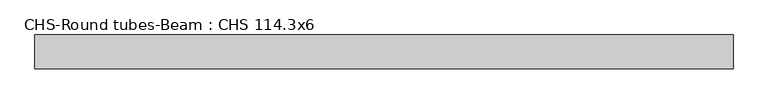
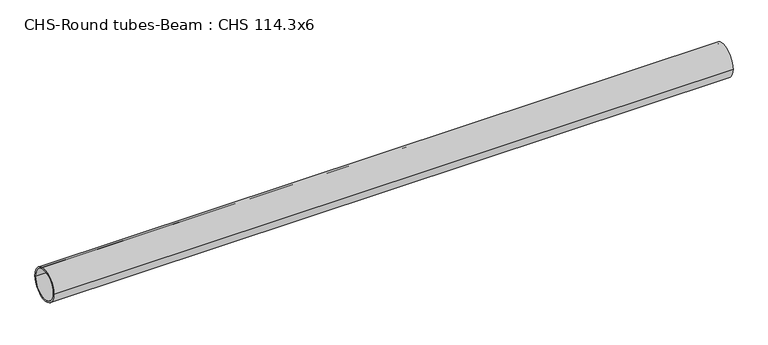
"""IFC4 building model written with IfcOpenShell, lengths in millimetres: beam geometry, CHS-Round tubes-Beam : CHS 114.3x6."""

from ifc_helpers import new_model, si_unit, point, frame, origin, origin_2d, place, context, project, spatial, circle_curve, trimmed, segment, composite_curve, outline, extrude, source, transform, mapped, element, save


def chs_round_tubes_beam_chs_114_3x6_32c616e8(model_context):
    return source(origin(), model_context, "Body", "SweptSolid", [
        extrude(outline(composite_curve([segment(trimmed(circle_curve(origin_2d(), 57.15), [point((57.15, 0.0))], [point((-57.15, 0.0))], False, "CARTESIAN"), True, "CONTINUOUS"), segment(trimmed(circle_curve(origin_2d(), 57.15), [point((-57.15, 0.0))], [point((57.15, 0.0))], False, "CARTESIAN"), True, "CONTINUOUS")], self_intersect=False), holes=[composite_curve([segment(trimmed(circle_curve(origin_2d(), 51.15), [point((51.15, 0.0))], [point((-51.15, 0.0))], True, "CARTESIAN"), True, "CONTINUOUS"), segment(trimmed(circle_curve(origin_2d(), 51.15), [point((-51.15, 0.0))], [point((51.15, 0.0))], True, "CARTESIAN"), True, "CONTINUOUS")], self_intersect=False)]), frame((-1121.692992, 0.0, 0.0), z_axis=(1.0, 0.0, 0.0), x_axis=(0.0, 1.0, 0.0)), (0.0, 0.0, 1.0), 2368.1351953),
    ])


if __name__ == "__main__":
    model = new_model("IFC4")
    model_context = context("Model", 3, world=origin())
    ifc_project = project(units=[si_unit("LENGTHUNIT", "METRE", prefix="MILLI")], contexts=[model_context])
    site = spatial("IfcSite", under=ifc_project)
    building = spatial("IfcBuilding", under=site)
    placement = place(None, origin())
    chs_round_tubes_beam_chs_114_3x6_shape = chs_round_tubes_beam_chs_114_3x6_32c616e8(model_context)
    element("IfcBeam", 1, ObjectType="CHS-Round tubes-Beam : CHS 114.3x6", at=placement, inside=building, context=model_context, shape_type="MappedRepresentation", body=[
        mapped(chs_round_tubes_beam_chs_114_3x6_shape, transform((0.0, 0.0, 0.0), x_axis=(1.0, 0.0, 0.0), y_axis=(0.0, 1.0, 0.0), z_axis=(0.0, 0.0, 1.0))),
    ])
    save(model, "model.ifc")
